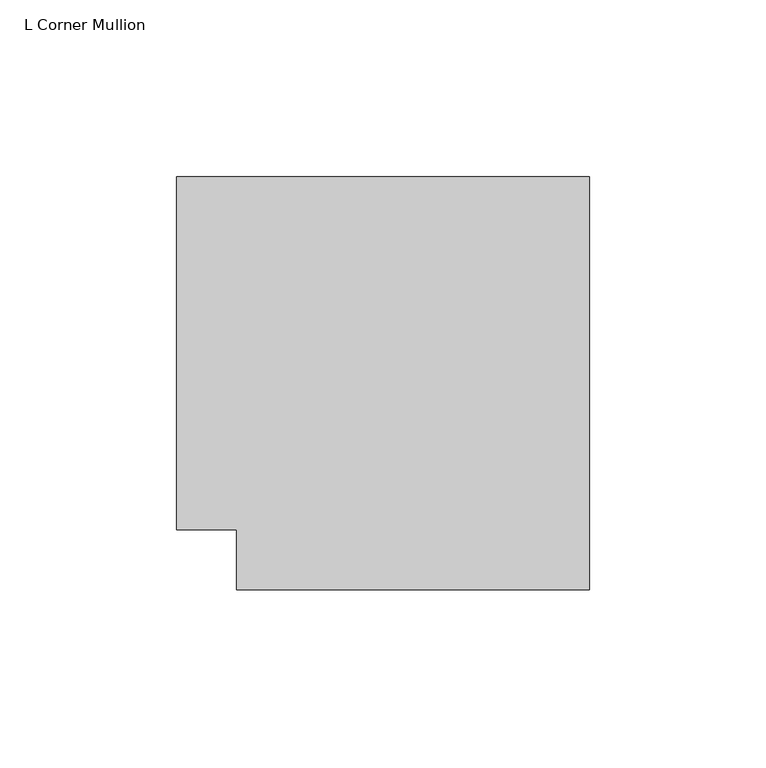
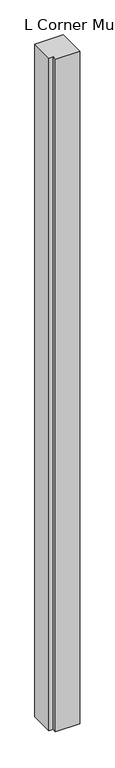
"""IFC4 building model written with IfcOpenShell, lengths in millimetres: member geometry, L Corner Mullion."""

from ifc_helpers import new_model, si_unit, frame, origin, place, context, project, spatial, polyline, outline, extrude, source, transform, mapped, element, save


def l_corner_mullion_0b75a358(model_context):
    return source(origin(), model_context, "Body", "SweptSolid", [
        extrude(outline(polyline([(-50.0, -67.0), (-50.0, -50.0), (-67.0, -50.0), (-67.0, 50.0), (50.0, 50.0), (50.0, -67.0), (-50.0, -67.0)])), frame((0.0, 0.0, -2930.0), z_axis=(0.0, 0.0, 1.0), x_axis=(1.0, 0.0, 0.0)), (0.0, 0.0, 1.0), 2930.0),
    ])


if __name__ == "__main__":
    model = new_model("IFC4")
    model_context = context("Model", 3, world=origin())
    ifc_project = project(units=[si_unit("LENGTHUNIT", "METRE", prefix="MILLI")], contexts=[model_context])
    site = spatial("IfcSite", under=ifc_project)
    building = spatial("IfcBuilding", under=site)
    placement = place(None, origin())
    l_corner_mullion_shape = l_corner_mullion_0b75a358(model_context)
    element("IfcMember", 1, ObjectType="L Corner Mullion", at=placement, inside=building, context=model_context, shape_type="MappedRepresentation", body=[
        mapped(l_corner_mullion_shape, transform((0.0, 0.0, 0.0), x_axis=(1.0, 0.0, 0.0), y_axis=(0.0, 1.0, 0.0), z_axis=(0.0, 0.0, 1.0))),
    ])
    save(model, "model.ifc")
